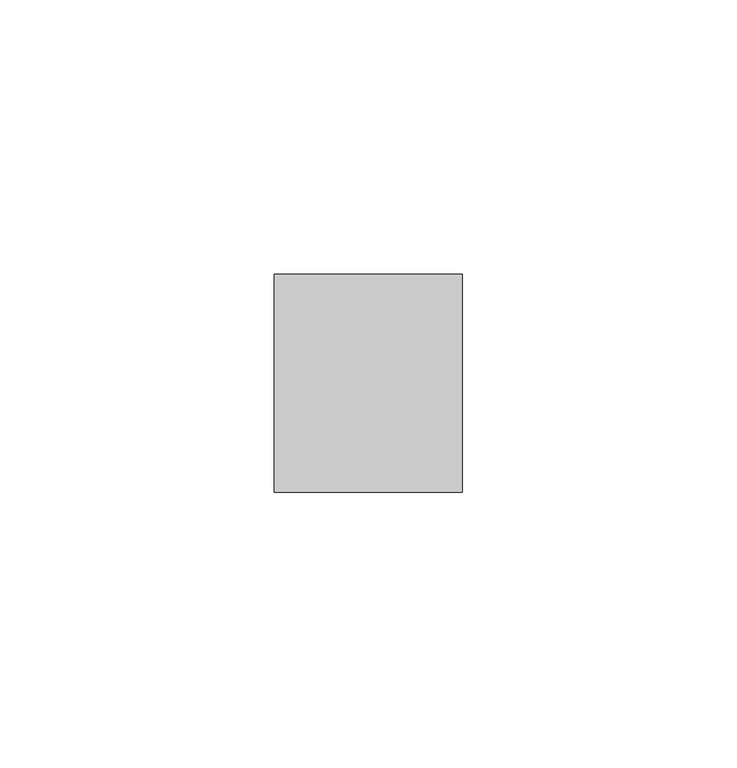
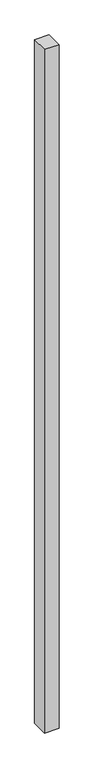
"""IFC4 building model written with IfcOpenShell, lengths in millimetres: plate geometry."""

from ifc_helpers import new_model, si_unit, origin, origin_with_axes, place, context, project, spatial, polyline, outline, extrude, source, transform, mapped, element, save


def plate_d61b9f9b(model_context):
    return source(origin(), model_context, "Body", "SweptSolid", [
        extrude(outline(polyline([(17.1340206, -19.84375), (-17.1340206, -19.84375), (-17.1340206, 19.84375), (17.1340206, 19.84375), (17.1340206, -19.84375)])), origin_with_axes(), (0.0, 0.0, 1.0), 1708.8912252),
    ])


if __name__ == "__main__":
    model = new_model("IFC4")
    model_context = context("Model", 3, world=origin())
    ifc_project = project(units=[si_unit("LENGTHUNIT", "METRE", prefix="MILLI")], contexts=[model_context])
    site = spatial("IfcSite", under=ifc_project)
    building = spatial("IfcBuilding", under=site)
    placement = place(None, origin())
    plate_shape = plate_d61b9f9b(model_context)
    element("IfcPlate", 1, at=placement, inside=building, context=model_context, shape_type="MappedRepresentation", body=[
        mapped(plate_shape, transform((0.0, 0.0, 0.0), x_axis=(1.0, 0.0, 0.0), y_axis=(0.0, 1.0, 0.0), z_axis=(0.0, 0.0, 1.0))),
    ])
    save(model, "model.ifc")
